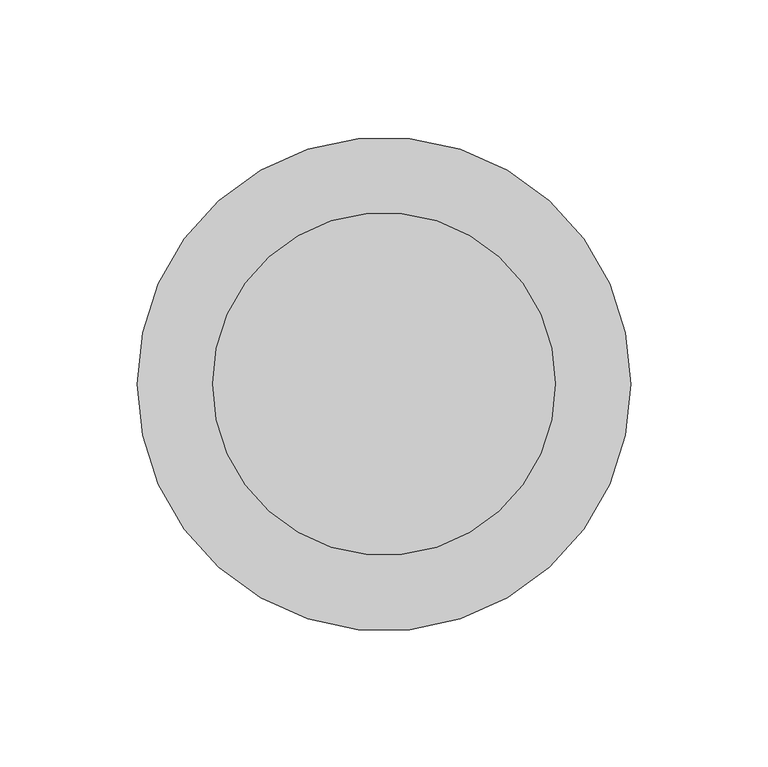
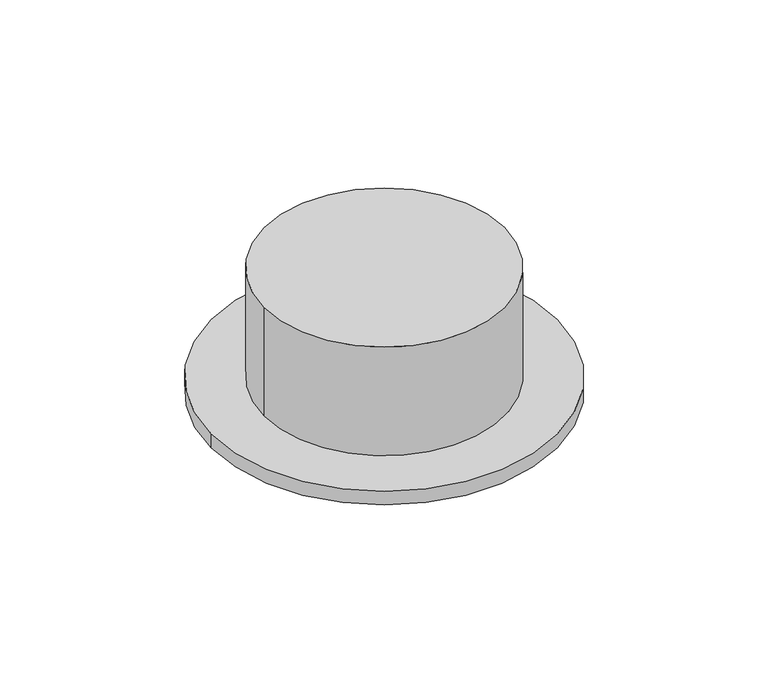
"""IFC4 building model written with IfcOpenShell, lengths in millimetres: air terminal geometry."""

from ifc_helpers import new_model, si_unit, point, frame, origin, origin_with_axes, origin_2d, place, context, project, spatial, circle_curve, trimmed, segment, composite_curve, outline, extrude, source, transform, mapped, element, save


def air_terminal_6e826130(model_context):
    return source(origin(), model_context, "Body", "SweptSolid", [
        extrude(outline(composite_curve([segment(trimmed(circle_curve(origin_2d(), 62.5), [point((-62.5, 0.0))], [point((62.5, 0.0))], False, "CARTESIAN"), True, "CONTINUOUS"), segment(trimmed(circle_curve(origin_2d(), 62.5), [point((62.5, 0.0))], [point((-62.5, 0.0))], False, "CARTESIAN"), True, "CONTINUOUS")], self_intersect=False)), frame((0.0, 0.0, -21.8652183), z_axis=(0.0, 0.0, 1.0), x_axis=(1.0, 0.0, 0.0)), (0.0, 0.0, 1.0), 6.724995),
        extrude(outline(composite_curve([segment(trimmed(circle_curve(origin_2d(), 90.0), [point((90.0, 0.0))], [point((-90.0, 0.0))], False, "CARTESIAN"), True, "CONTINUOUS"), segment(trimmed(circle_curve(origin_2d(), 90.0), [point((-90.0, 0.0))], [point((90.0, 0.0))], False, "CARTESIAN"), True, "CONTINUOUS")], self_intersect=False)), frame((0.0, 0.0, -7.5450728), z_axis=(0.0, 0.0, 1.0), x_axis=(1.0, 0.0, 0.0)), (0.0, 0.0, 1.0), 7.5450728),
        extrude(outline(composite_curve([segment(trimmed(circle_curve(origin_2d(), 62.5), [point((-62.5, 0.0))], [point((62.5, 0.0))], False, "CARTESIAN"), True, "CONTINUOUS"), segment(trimmed(circle_curve(origin_2d(), 62.5), [point((62.5, 0.0))], [point((-62.5, 0.0))], False, "CARTESIAN"), True, "CONTINUOUS")], self_intersect=False)), origin_with_axes(), (0.0, 0.0, 1.0), 60.0),
    ])


if __name__ == "__main__":
    model = new_model("IFC4")
    model_context = context("Model", 3, world=origin())
    ifc_project = project(units=[si_unit("LENGTHUNIT", "METRE", prefix="MILLI")], contexts=[model_context])
    site = spatial("IfcSite", under=ifc_project)
    building = spatial("IfcBuilding", under=site)
    placement = place(None, origin())
    air_terminal_shape = air_terminal_6e826130(model_context)
    element("IfcAirTerminal", 1, at=placement, inside=building, context=model_context, shape_type="MappedRepresentation", body=[
        mapped(air_terminal_shape, transform((0.0, 0.0, 0.0), x_axis=(1.0, 0.0, 0.0), y_axis=(0.0, 1.0, 0.0), z_axis=(0.0, 0.0, 1.0))),
    ])
    save(model, "model.ifc")
